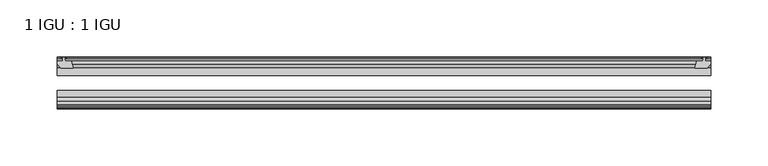
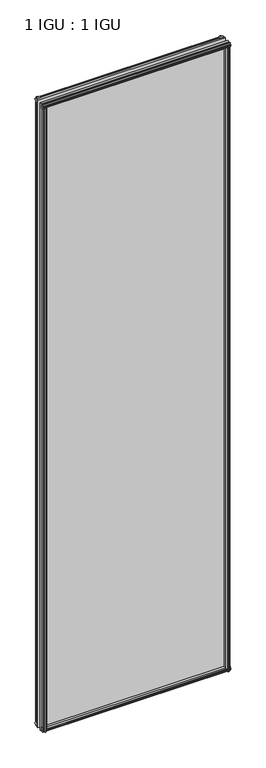
"""IFC4 building model written with IfcOpenShell, lengths in millimetres: plate geometry, 1 IGU : 1 IGU."""

from ifc_helpers import new_model, si_unit, frame, origin, place, context, project, spatial, polyline, outline, extrude, source, transform, mapped, element, save


def plate_1_igu_1_igu_64d37d47(model_context):
    return source(origin(), model_context, "Body", "SweptSolid", [
        extrude(outline(polyline([(277.7431709, -10.4746158), (279.9207, -9.7670938), (282.0982291, -10.4746158), (282.0982291, -11.27583), (280.6827, -10.8158968), (281.0637, -13.1960938), (285.5087, -13.1960938), (285.5087, -16.1424938), (282.6743578, -19.5460938), (271.8529819, -19.5460938), (273.5707, -13.1960938), (278.7777, -13.1960938), (279.1587, -10.8158968), (277.7431709, -11.27583), (277.7431709, -10.4746158)])), frame((0.0, 0.0, -12.4587), z_axis=(0.0, 0.0, 1.0), x_axis=(1.0, 0.0, 0.0)), (0.0, 0.0, 1.0), 2018.8173999),
        extrude(outline(polyline([(-279.9207, -9.7670937), (-277.7431709, -10.4746158), (-277.7431709, -11.27583), (-279.1587, -10.8158968), (-278.7777, -13.1960937), (-273.5707, -13.1960937), (-271.8529819, -19.5460937), (-282.6743578, -19.5460937), (-285.5087, -16.1424937), (-285.5087, -13.1960937), (-281.0637, -13.1960937), (-280.6827, -10.8158968), (-282.0982291, -11.27583), (-282.0982291, -10.4746158), (-279.9207, -9.7670937)])), frame((0.0, 0.0, -12.4587), z_axis=(0.0, 0.0, 1.0), x_axis=(1.0, 0.0, 0.0)), (0.0, 0.0, 1.0), 2018.8173999),
        extrude(outline(polyline([(271.3355839, -44.9460938), (282.1569598, -44.9460938), (284.991302, -48.3496938), (284.991302, -51.2960938), (280.546302, -51.2960938), (280.165302, -53.6762907), (281.580831, -53.2163575), (281.580831, -54.0175717), (279.403302, -54.7250938), (277.2257729, -54.0175717), (277.2257729, -53.2163575), (278.641302, -53.6762907), (278.260302, -51.2960938), (273.053302, -51.2960938), (271.3355839, -44.9460938)])), frame((0.0, 0.0, -12.4587), z_axis=(0.0, 0.0, 1.0), x_axis=(1.0, 0.0, 0.0)), (0.0, 0.0, 1.0), 2006.1173999),
        extrude(outline(polyline([(-271.3322819, -44.9460937), (-273.05, -51.2960937), (-278.257, -51.2960937), (-278.638, -53.6762907), (-277.2224709, -53.2163575), (-277.2224709, -54.0175717), (-279.4, -54.7250937), (-281.5775291, -54.0175717), (-281.5775291, -53.2163575), (-280.162, -53.6762907), (-280.543, -51.2960937), (-284.988, -51.2960937), (-284.988, -48.3496937), (-282.1536578, -44.9460937), (-271.3322819, -44.9460937)])), frame((0.0, 0.0, -12.4587), z_axis=(0.0, 0.0, 1.0), x_axis=(1.0, 0.0, 0.0)), (0.0, 0.0, 1.0), 2006.1173999),
        extrude(outline(polyline([(-10.4746158, -4.6931709), (-9.7670937, -6.8707), (-10.4746158, -9.0482291), (-11.27583, -9.0482291), (-10.8158968, -7.6327), (-13.1960937, -8.0137), (-13.1960937, -12.4587), (-16.1424937, -12.4587), (-19.5460937, -9.6243578), (-19.5460937, 1.1970181), (-13.1960937, -0.5207), (-13.1960937, -5.7277), (-10.8158968, -6.1087), (-11.27583, -4.6931709), (-10.4746158, -4.6931709)])), frame((-285.75, 0.0, 0.0), z_axis=(1.0, 0.0, 0.0), x_axis=(0.0, 1.0, 0.0)), (0.0, 0.0, 1.0), 571.5),
        extrude(outline(polyline([(-44.9460937, 1.7177181), (-44.9460937, -9.1036578), (-48.3496937, -11.938), (-51.2960937, -11.938), (-51.2960937, -7.493), (-53.6762907, -7.112), (-53.2163575, -8.5275291), (-54.0175717, -8.5275291), (-54.7250937, -6.35), (-54.0175717, -4.1724709), (-53.2163575, -4.1724709), (-53.6762907, -5.588), (-51.2960937, -5.207), (-51.2960937, 0.0), (-44.9460937, 1.7177181)])), frame((-285.75, 0.0, 0.0), z_axis=(1.0, 0.0, 0.0), x_axis=(0.0, 1.0, 0.0)), (0.0, 0.0, 1.0), 571.5),
        extrude(outline(polyline([(-10.8158968, 2001.5326999), (-11.27583, 2002.948229), (-10.4746158, 2002.948229), (-9.7670937, 2000.7706999), (-10.4746158, 1998.5931709), (-11.27583, 1998.5931709), (-10.8158968, 2000.0086999), (-13.1960937, 1999.6276999), (-13.1960937, 1994.4206999), (-19.5460938, 1992.7029819), (-19.5460938, 2003.5243578), (-16.1424937, 2006.3586999), (-13.1960937, 2006.3586999), (-13.1960937, 2001.9136999), (-10.8158968, 2001.5326999)])), frame((-285.75, 0.0, 0.0), z_axis=(1.0, 0.0, 0.0), x_axis=(0.0, 1.0, 0.0)), (0.0, 0.0, 1.0), 571.5),
        extrude(outline(polyline([(-51.2960937, 2005.8379999), (-48.3496937, 2005.8379999), (-44.9460938, 2003.0036578), (-44.9460938, 1992.1822819), (-51.2960937, 1993.8999999), (-51.2960937, 1999.1069999), (-53.6762907, 1999.4879999), (-53.2163575, 1998.0724709), (-54.0175717, 1998.0724709), (-54.7250937, 2000.2499999), (-54.0175717, 2002.427529), (-53.2163575, 2002.427529), (-53.6762907, 2001.0119999), (-51.2960937, 2001.3929999), (-51.2960937, 2005.8379999)])), frame((-285.75, 0.0, 0.0), z_axis=(1.0, 0.0, 0.0), x_axis=(0.0, 1.0, 0.0)), (0.0, 0.0, 1.0), 571.5),
        extrude(outline(polyline([(-285.75, -38.9186738), (285.75, -38.9186738), (285.75, -44.9460937), (-285.75, -44.9460937), (-285.75, -38.9186738)])), frame((0.0, 0.0, -12.7), z_axis=(0.0, 0.0, 1.0), x_axis=(1.0, 0.0, 0.0)), (0.0, 0.0, 1.0), 2019.2999999),
        extrude(outline(polyline([(-285.75, -19.5460937), (285.75, -19.5460937), (285.75, -25.8960938), (-285.75, -25.8960938), (-285.75, -19.5460937)])), frame((0.0, 0.0, -12.7), z_axis=(0.0, 0.0, 1.0), x_axis=(1.0, 0.0, 0.0)), (0.0, 0.0, 1.0), 2019.2999999),
    ])


if __name__ == "__main__":
    model = new_model("IFC4")
    model_context = context("Model", 3, world=origin())
    ifc_project = project(units=[si_unit("LENGTHUNIT", "METRE", prefix="MILLI")], contexts=[model_context])
    site = spatial("IfcSite", under=ifc_project)
    building = spatial("IfcBuilding", under=site)
    placement = place(None, origin())
    plate_1_igu_1_igu_shape = plate_1_igu_1_igu_64d37d47(model_context)
    element("IfcPlate", 1, ObjectType="1 IGU : 1 IGU", at=placement, inside=building, context=model_context, shape_type="MappedRepresentation", body=[
        mapped(plate_1_igu_1_igu_shape, transform((0.0, 0.0, 0.0), x_axis=(1.0, 0.0, 0.0), y_axis=(0.0, 1.0, 0.0), z_axis=(0.0, 0.0, 1.0))),
    ])
    save(model, "model.ifc")
